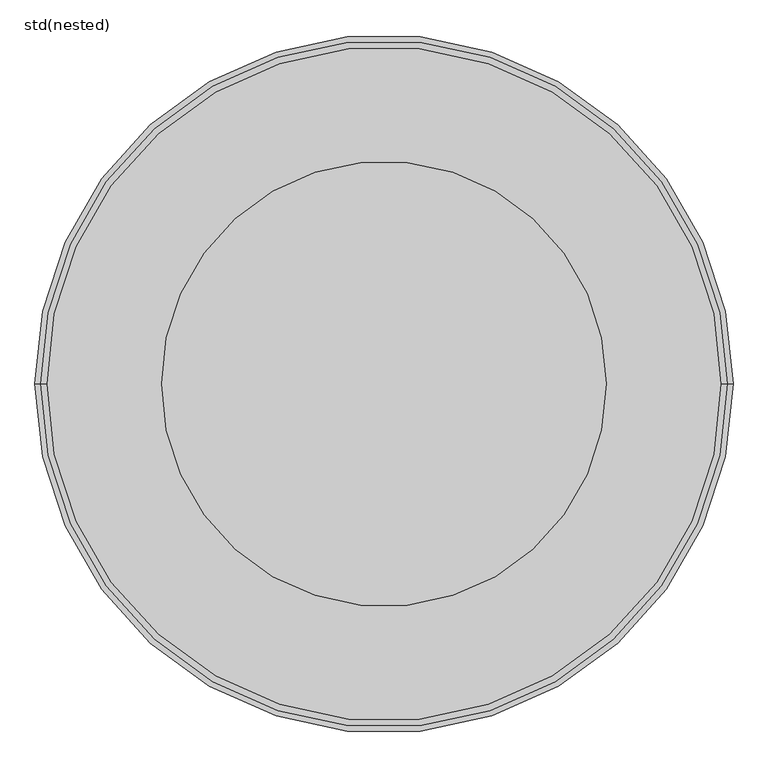
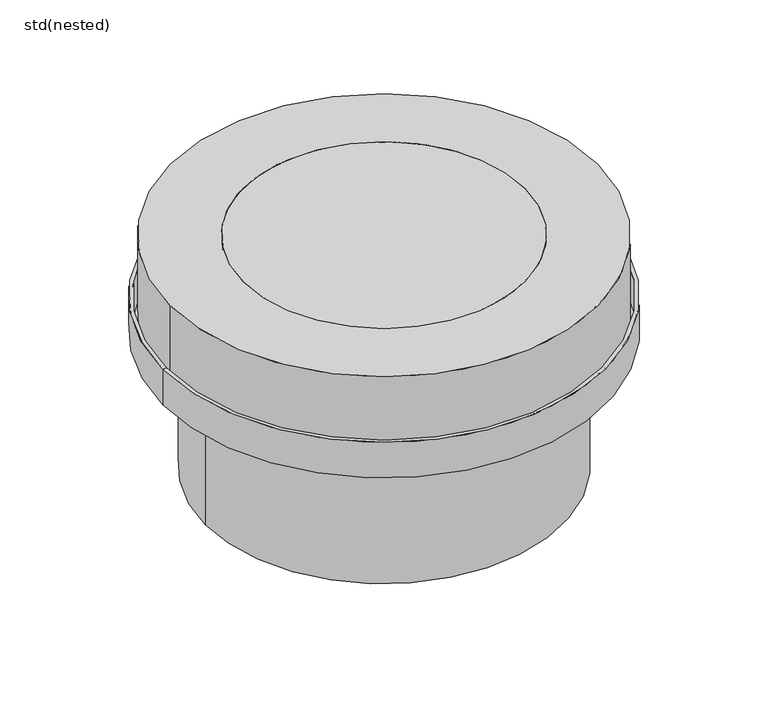
"""IFC4 building model written with IfcOpenShell, lengths in millimetres: unitary equipment geometry, std(nested)."""

from ifc_helpers import new_model, si_unit, point, frame, origin, origin_2d, place, context, project, spatial, polyline, circle_curve, trimmed, segment, composite_curve, outline, extrude, source, transform, mapped, element, save
from ifc_brep_helpers import plane_surface, cylinder_surface, revolved_surface, advanced_brep


def std_nested_420f3939(model_context):
    return source(origin(), model_context, "Body", "SolidModel", [
        advanced_brep(
        [(-510.0, 0.0, -150.0), (510.0, 0.0, -150.0), (518.0, 0.0, -150.0), (-518.0, 0.0, -150.0), (-510.0, 0.0, -230.0), (510.0, 0.0, -230.0), (-410.0, 0.0, -230.0), (410.0, 0.0, -230.0), (-410.0, 0.0, -570.0), (410.0, 0.0, -570.0), (-418.0, 0.0, -570.0), (418.0, 0.0, -570.0), (-418.0, 0.0, -238.0), (418.0, 0.0, -238.0), (-518.0, 0.0, -238.0), (518.0, 0.0, -238.0)],
        [
            (0, 1, circle_curve(frame((0.0, 0.0, -150.0), z_axis=(0.0, 0.0, -1.0), x_axis=(1.0, 0.0, 0.0)), 510.0)),
            (1, 2),
            (2, 3, circle_curve(frame((0.0, 0.0, -150.0), z_axis=(0.0, 0.0, 1.0), x_axis=(1.0, 0.0, 0.0)), 518.0)),
            (3, 0),
            (1, 0, circle_curve(frame((0.0, 0.0, -150.0), z_axis=(0.0, 0.0, -1.0), x_axis=(1.0, 0.0, 0.0)), 510.0)),
            (3, 2, circle_curve(frame((0.0, 0.0, -150.0), z_axis=(0.0, 0.0, 1.0), x_axis=(1.0, 0.0, 0.0)), 518.0)),
            (4, 5, circle_curve(frame((0.0, 0.0, -230.0), z_axis=(0.0, 0.0, -1.0), x_axis=(1.0, 0.0, 0.0)), 510.0)),
            (5, 1),
            (0, 4),
            (5, 4, circle_curve(frame((0.0, 0.0, -230.0), z_axis=(0.0, 0.0, -1.0), x_axis=(1.0, 0.0, 0.0)), 510.0)),
            (6, 7, circle_curve(frame((0.0, 0.0, -230.0), z_axis=(0.0, 0.0, -1.0), x_axis=(1.0, 0.0, 0.0)), 410.0)),
            (7, 5),
            (4, 6),
            (7, 6, circle_curve(frame((0.0, 0.0, -230.0), z_axis=(0.0, 0.0, -1.0), x_axis=(1.0, 0.0, 0.0)), 410.0)),
            (8, 9, circle_curve(frame((0.0, 0.0, -570.0), z_axis=(0.0, 0.0, -1.0), x_axis=(1.0, 0.0, 0.0)), 410.0)),
            (9, 7),
            (6, 8),
            (9, 8, circle_curve(frame((0.0, 0.0, -570.0), z_axis=(0.0, 0.0, -1.0), x_axis=(1.0, 0.0, 0.0)), 410.0)),
            (10, 11, circle_curve(frame((0.0, 0.0, -570.0), z_axis=(0.0, 0.0, -1.0), x_axis=(1.0, 0.0, 0.0)), 418.0)),
            (11, 9),
            (8, 10),
            (11, 10, circle_curve(frame((0.0, 0.0, -570.0), z_axis=(0.0, 0.0, -1.0), x_axis=(1.0, 0.0, 0.0)), 418.0)),
            (12, 13, circle_curve(frame((0.0, 0.0, -238.0), z_axis=(0.0, 0.0, -1.0), x_axis=(1.0, 0.0, 0.0)), 418.0)),
            (13, 11),
            (10, 12),
            (13, 12, circle_curve(frame((0.0, 0.0, -238.0), z_axis=(0.0, 0.0, -1.0), x_axis=(1.0, 0.0, 0.0)), 418.0)),
            (14, 15, circle_curve(frame((0.0, 0.0, -238.0), z_axis=(0.0, 0.0, -1.0), x_axis=(1.0, 0.0, 0.0)), 518.0)),
            (15, 13),
            (12, 14),
            (15, 14, circle_curve(frame((0.0, 0.0, -238.0), z_axis=(0.0, 0.0, -1.0), x_axis=(1.0, 0.0, 0.0)), 518.0)),
            (2, 15),
            (14, 3),
        ],
        [
            plane_surface(frame((0.0, 0.0, -150.0), z_axis=(0.0, 0.0, 1.0), x_axis=(1.0, 0.0, 0.0))),
            revolved_surface(polyline([(510.0, 0.0, -150.0), (510.0, 0.0, -230.0)]), (0.0, 0.0, 695.0), (0.0, 0.0, 1.0)),
            plane_surface(frame((0.0, 0.0, -230.0), z_axis=(0.0, 0.0, 1.0), x_axis=(1.0, 0.0, 0.0))),
            revolved_surface(polyline([(410.0, 0.0, -230.0), (410.0, 0.0, -570.0)]), (0.0, 0.0, 695.0), (0.0, 0.0, 1.0)),
            plane_surface(frame((0.0, 0.0, -570.0), z_axis=(0.0, 0.0, -1.0), x_axis=(1.0, 0.0, 0.0))),
            cylinder_surface(frame((0.0, 0.0, 695.0), z_axis=(0.0, 0.0, 1.0), x_axis=(1.0, 0.0, 0.0)), 418.0),
            plane_surface(frame((0.0, 0.0, -238.0), z_axis=(0.0, 0.0, -1.0), x_axis=(1.0, 0.0, 0.0))),
            cylinder_surface(frame((0.0, 0.0, 695.0), z_axis=(0.0, 0.0, 1.0), x_axis=(1.0, 0.0, 0.0)), 518.0),
        ],
        [
            (0, [[1, 2, 3, 4]]),
            (0, [[5, -4, 6, -2]]),
            (1, [[7, 8, -1, 9]]),
            (1, [[10, -9, -5, -8]]),
            (2, [[11, 12, -7, 13]]),
            (2, [[14, -13, -10, -12]]),
            (3, [[15, 16, -11, 17]]),
            (3, [[18, -17, -14, -16]]),
            (4, [[19, 20, -15, 21]]),
            (4, [[22, -21, -18, -20]]),
            (5, [[23, 24, -19, 25]]),
            (5, [[26, -25, -22, -24]]),
            (6, [[27, 28, -23, 29]]),
            (6, [[30, -29, -26, -28]]),
            (7, [[-3, 31, -27, 32]]),
            (7, [[-6, -32, -30, -31]]),
        ],
    ),
        extrude(outline(composite_curve([segment(trimmed(circle_curve(origin_2d(), 500.0), [point((-500.0, 0.0))], [point((500.0, 0.0))], False, "CARTESIAN"), True, "CONTINUOUS"), segment(trimmed(circle_curve(origin_2d(), 500.0), [point((500.0, 0.0))], [point((-500.0, 0.0))], False, "CARTESIAN"), True, "CONTINUOUS")], self_intersect=False), holes=[composite_curve([segment(trimmed(circle_curve(origin_2d(), 330.0), [point((-330.0, 0.0))], [point((330.0, 0.0))], True, "CARTESIAN"), True, "CONTINUOUS"), segment(trimmed(circle_curve(origin_2d(), 330.0), [point((330.0, 0.0))], [point((-330.0, 0.0))], True, "CARTESIAN"), True, "CONTINUOUS")], self_intersect=False)]), frame((0.0, 0.0, -200.1138553), z_axis=(0.0, 0.0, 1.0), x_axis=(1.0, 0.0, 0.0)), (0.0, 0.0, 1.0), 200.1138553),
        extrude(outline(composite_curve([segment(trimmed(circle_curve(origin_2d(), 330.0), [point((-330.0, 0.0))], [point((330.0, 0.0))], False, "CARTESIAN"), True, "CONTINUOUS"), segment(trimmed(circle_curve(origin_2d(), 330.0), [point((330.0, 0.0))], [point((-330.0, 0.0))], False, "CARTESIAN"), True, "CONTINUOUS")], self_intersect=False)), frame((0.0, 0.0, -185.8087682), z_axis=(0.0, 0.0, 1.0), x_axis=(1.0, 0.0, 0.0)), (0.0, 0.0, 1.0), 185.8087682),
    ])


if __name__ == "__main__":
    model = new_model("IFC4")
    model_context = context("Model", 3, world=origin())
    ifc_project = project(units=[si_unit("LENGTHUNIT", "METRE", prefix="MILLI")], contexts=[model_context])
    site = spatial("IfcSite", under=ifc_project)
    building = spatial("IfcBuilding", under=site)
    placement = place(None, origin())
    std_nested_shape = std_nested_420f3939(model_context)
    element("IfcUnitaryEquipment", 1, ObjectType="std(nested)", at=placement, inside=building, context=model_context, shape_type="MappedRepresentation", body=[
        mapped(std_nested_shape, transform((0.0, 0.0, 0.0), x_axis=(1.0, 0.0, 0.0), y_axis=(0.0, 1.0, 0.0), z_axis=(0.0, 0.0, 1.0))),
    ])
    save(model, "model.ifc")
